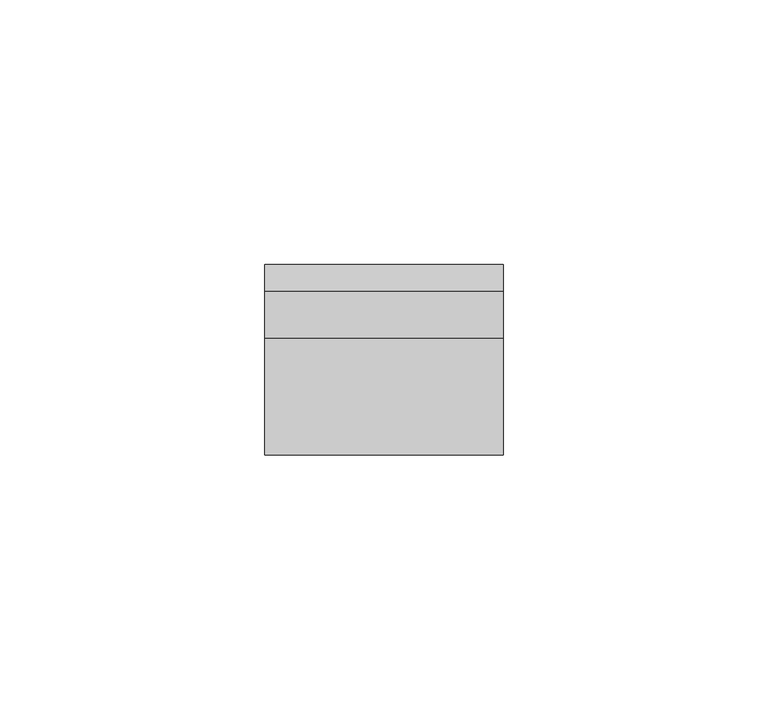
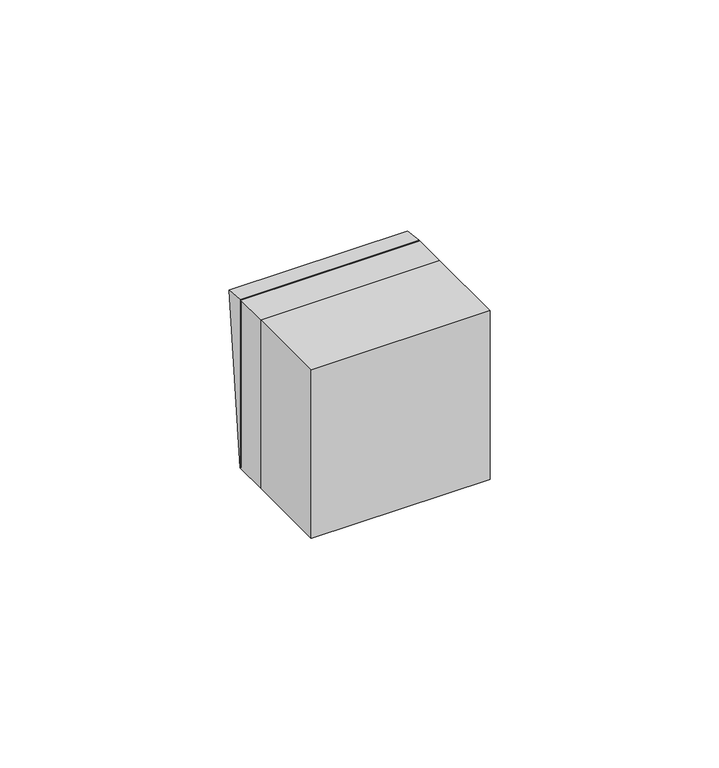
"""IFC4 building model written with IfcOpenShell, lengths in millimetres: switching device geometry."""

from ifc_helpers import new_model, si_unit, frame, origin, place, context, project, spatial, polyline, outline, extrude, source, transform, mapped, element, save


def switching_device_10fd2c43(model_context):
    return source(origin(), model_context, "Body", "SweptSolid", [
        extrude(outline(polyline([(9.0, -22.5), (9.0, 22.5), (13.9850961, 21.9408026), (9.0, -22.5)])), frame((-22.5, 0.0, 0.0), z_axis=(1.0, 0.0, 0.0), x_axis=(0.0, 1.0, 0.0)), (0.0, 0.0, 1.0), 45.0),
        extrude(outline(polyline([(22.5, -22.0), (-22.5, -22.0), (-22.5, 0.0), (22.5, 0.0), (22.5, -22.0)])), frame((0.0, 0.0, -22.5), z_axis=(0.0, 0.0, 1.0), x_axis=(1.0, 0.0, 0.0)), (0.0, 0.0, 1.0), 45.0),
        extrude(outline(polyline([(22.5, 0.0), (-22.5, 0.0), (-22.5, 9.0), (22.5, 9.0), (22.5, 0.0)])), frame((0.0, 0.0, -22.5), z_axis=(0.0, 0.0, 1.0), x_axis=(1.0, 0.0, 0.0)), (0.0, 0.0, 1.0), 45.0),
    ])


if __name__ == "__main__":
    model = new_model("IFC4")
    model_context = context("Model", 3, world=origin())
    ifc_project = project(units=[si_unit("LENGTHUNIT", "METRE", prefix="MILLI")], contexts=[model_context])
    site = spatial("IfcSite", under=ifc_project)
    building = spatial("IfcBuilding", under=site)
    placement = place(None, origin())
    switching_device_shape = switching_device_10fd2c43(model_context)
    element("IfcSwitchingDevice", 1, at=placement, inside=building, context=model_context, shape_type="MappedRepresentation", body=[
        mapped(switching_device_shape, transform((0.0, 0.0, 0.0), x_axis=(1.0, 0.0, 0.0), y_axis=(0.0, 1.0, 0.0), z_axis=(0.0, 0.0, 1.0))),
    ])
    save(model, "model.ifc")
